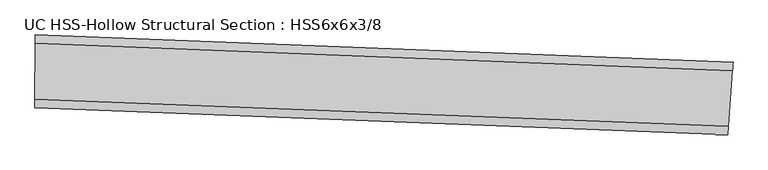
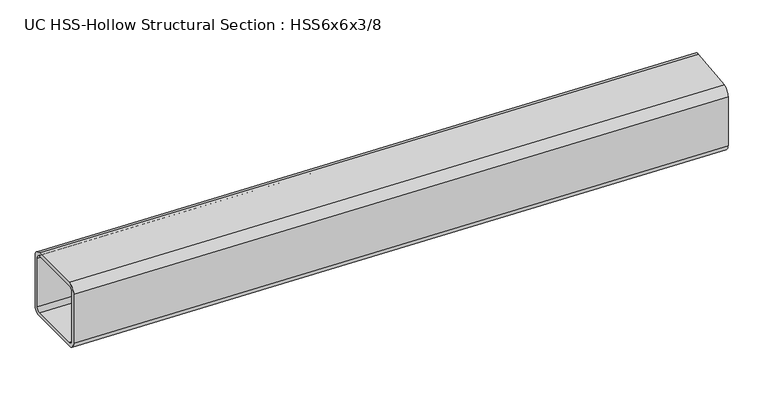
"""IFC4 building model written with IfcOpenShell, lengths in millimetres: beam geometry, UC HSS-Hollow Structural Section : HSS6x6x3/8."""

from ifc_helpers import new_model, si_unit, point, frame, origin, place, context, project, spatial, polyline, circle_curve, ellipse_curve, trimmed, source, transform, mapped, element, save
from ifc_brep_helpers import plane_surface, cylinder_surface, revolved_surface, advanced_brep


def uc_hss_hollow_structural_section_hss6x6x3_8_cf2cbdf1(model_context):
    return source(origin(), model_context, "Body", "AdvancedBrep", [
        advanced_brep(
        [(1536.7859562, 18.5029614, 58.4708), (1535.4565811, 0.8236714, 76.2), (1526.6880381, -115.7887227, 76.2), (1525.3586629, -133.4680127, 58.4708), (1525.3586629, -133.4680127, -58.4708), (1526.6880381, -115.7887227, -76.2), (1535.4565811, 0.8236714, -76.2), (1536.7859562, 18.5029614, -58.4708), (1526.6880381, -115.7887227, 67.3354), (1535.4565811, 0.8236714, 67.3354), (1536.1212687, 9.6633164, 58.4708), (1536.1212687, 9.6633164, -58.4708), (1535.4565811, 0.8236714, -67.3354), (1526.6880381, -115.7887227, -67.3354), (1526.0233505, -124.6283677, -58.4708), (1526.0233505, -124.6283677, 58.4708), (73.5028473, 76.0681972, 58.4708), (73.5028473, 76.0681972, -58.4708), (73.4392647, 58.3391112, -76.2), (73.0198745, -58.6017368, -76.2), (72.9562919, -76.3308228, -58.4708), (72.9562919, -76.3308228, 58.4708), (73.0198745, -58.6017368, 76.2), (73.4392647, 58.3391112, 76.2), (73.0198745, -58.6017368, 67.3354), (72.9880832, -67.4662798, 58.4708), (72.9880832, -67.4662798, -58.4708), (73.0198745, -58.6017368, -67.3354), (73.4392647, 58.3391112, -67.3354), (73.471056, 67.2036542, -58.4708), (73.471056, 67.2036542, 58.4708), (73.4392647, 58.3391112, 67.3354)],
        [
            (0, 1, circle_curve(frame((1535.4565811, 0.8236714, 58.4708), z_axis=(0.9971848694081838, -0.07498223938629388, 0.0), x_axis=(-0.07498223938629388, -0.9971848694081838, 0.0)), 17.7292)),
            (1, 2),
            (2, 3, circle_curve(frame((1526.6880381, -115.7887227, 58.4708), z_axis=(0.9971848694081838, -0.07498223938629388, 0.0), x_axis=(-0.07498223938629388, -0.9971848694081838, 0.0)), 17.7292)),
            (3, 4),
            (4, 5, circle_curve(frame((1526.6880381, -115.7887227, -58.4708), z_axis=(0.9971848694081838, -0.07498223938629388, 0.0), x_axis=(-0.07498223938629388, -0.9971848694081838, 0.0)), 17.7292)),
            (5, 6),
            (6, 7, circle_curve(frame((1535.4565811, 0.8236714, -58.4708), z_axis=(0.9971848694081838, -0.07498223938629388, 0.0), x_axis=(-0.07498223938629388, -0.9971848694081838, 0.0)), 17.7292)),
            (7, 0),
            (8, 9),
            (9, 10, circle_curve(frame((1535.4565811, 0.8236714, 58.4708), z_axis=(-0.9971848694081838, 0.07498223938629388, 0.0), x_axis=(-0.07498223938629388, -0.9971848694081838, 0.0)), 8.8646)),
            (10, 11),
            (11, 12, circle_curve(frame((1535.4565811, 0.8236714, -58.4708), z_axis=(-0.9971848694081838, 0.07498223938629388, 0.0), x_axis=(-0.07498223938629388, -0.9971848694081838, 0.0)), 8.8646)),
            (12, 13),
            (13, 14, circle_curve(frame((1526.6880381, -115.7887227, -58.4708), z_axis=(-0.9971848694081838, 0.07498223938629388, 0.0), x_axis=(-0.07498223938629388, -0.9971848694081838, 0.0)), 8.8646)),
            (14, 15),
            (15, 8, circle_curve(frame((1526.6880381, -115.7887227, 58.4708), z_axis=(-0.9971848694081838, 0.07498223938629388, 0.0), x_axis=(-0.07498223938629388, -0.9971848694081838, 0.0)), 8.8646)),
            (16, 17),
            (17, 18, circle_curve(frame((73.4392647, 58.3391112, -58.4708), z_axis=(-0.9999935691293671, 0.003586321222339983, 0.0), x_axis=(-0.003586321222339983, -0.9999935691293671, 0.0)), 17.7292)),
            (18, 19),
            (19, 20, circle_curve(frame((73.0198745, -58.6017368, -58.4708), z_axis=(-0.9999935691293671, 0.003586321222339983, 0.0), x_axis=(-0.003586321222339983, -0.9999935691293671, 0.0)), 17.7292)),
            (20, 21),
            (21, 22, circle_curve(frame((73.0198745, -58.6017368, 58.4708), z_axis=(-0.9999935691293671, 0.003586321222339983, 0.0), x_axis=(-0.003586321222339983, -0.9999935691293671, 0.0)), 17.7292)),
            (22, 23),
            (23, 16, circle_curve(frame((73.4392647, 58.3391112, 58.4708), z_axis=(-0.9999935691293671, 0.003586321222339983, 0.0), x_axis=(-0.003586321222339983, -0.9999935691293671, 0.0)), 17.7292)),
            (24, 25, circle_curve(frame((73.0198745, -58.6017368, 58.4708), z_axis=(0.9999935691293671, -0.003586321222339983, 0.0), x_axis=(-0.003586321222339983, -0.9999935691293671, 0.0)), 8.8646)),
            (25, 26),
            (26, 27, circle_curve(frame((73.0198745, -58.6017368, -58.4708), z_axis=(0.9999935691293671, -0.003586321222339983, 0.0), x_axis=(-0.003586321222339983, -0.9999935691293671, 0.0)), 8.8646)),
            (27, 28),
            (28, 29, circle_curve(frame((73.4392647, 58.3391112, -58.4708), z_axis=(0.9999935691293671, -0.003586321222339983, 0.0), x_axis=(-0.003586321222339983, -0.9999935691293671, 0.0)), 8.8646)),
            (29, 30),
            (30, 31, circle_curve(frame((73.4392647, 58.3391112, 58.4708), z_axis=(0.9999935691293671, -0.003586321222339983, 0.0), x_axis=(-0.003586321222339983, -0.9999935691293671, 0.0)), 8.8646)),
            (31, 24),
            (0, 16, circle_curve(frame((0.0, -20419.1328788, 58.4708), z_axis=(0.0, 0.0, 1.0), x_axis=(-0.09625855551847158, -0.9953563635650788, 0.0)), 20495.3328788)),
            (23, 1, circle_curve(frame((0.0, -20419.1328788, 76.2), z_axis=(0.0, 0.0, -1.0), x_axis=(-0.09625855551847158, -0.9953563635650788, 0.0)), 20477.6036788)),
            (22, 2, circle_curve(frame((0.0, -20419.1328788, 76.2), z_axis=(0.0, 0.0, -1.0), x_axis=(-0.09625855551847158, -0.9953563635650788, 0.0)), 20360.6620788)),
            (21, 3, circle_curve(frame((0.0, -20419.1328788, 58.4708), z_axis=(0.0, 0.0, -1.0), x_axis=(-0.09625855551847158, -0.9953563635650788, 0.0)), 20342.9328788)),
            (20, 4, circle_curve(frame((0.0, -20419.1328788, -58.4708), z_axis=(0.0, 0.0, -1.0), x_axis=(-0.09625855551847158, -0.9953563635650788, 0.0)), 20342.9328788)),
            (19, 5, circle_curve(frame((0.0, -20419.1328788, -76.2), z_axis=(0.0, 0.0, -1.0), x_axis=(-0.09625855551847158, -0.9953563635650788, 0.0)), 20360.6620788)),
            (18, 6, circle_curve(frame((0.0, -20419.1328788, -76.2), z_axis=(0.0, 0.0, -1.0), x_axis=(-0.09625855551847158, -0.9953563635650788, 0.0)), 20477.6036788)),
            (17, 7, circle_curve(frame((0.0, -20419.1328788, -58.4708), z_axis=(0.0, 0.0, -1.0), x_axis=(-0.09625855551847158, -0.9953563635650788, 0.0)), 20495.3328788)),
            (8, 24, circle_curve(frame((0.0, -20419.1328788, 67.3354), z_axis=(0.0, 0.0, 1.0), x_axis=(-0.09625855551847158, -0.9953563635650788, 0.0)), 20360.6620788)),
            (31, 9, circle_curve(frame((0.0, -20419.1328788, 67.3354), z_axis=(0.0, 0.0, -1.0), x_axis=(-0.09625855551847158, -0.9953563635650788, 0.0)), 20477.6036788)),
            (30, 10, circle_curve(frame((0.0, -20419.1328788, 58.4708), z_axis=(0.0, 0.0, -1.0), x_axis=(-0.09625855551847158, -0.9953563635650788, 0.0)), 20486.4682788)),
            (29, 11, circle_curve(frame((0.0, -20419.1328788, -58.4708), z_axis=(0.0, 0.0, -1.0), x_axis=(-0.09625855551847158, -0.9953563635650788, 0.0)), 20486.4682788)),
            (28, 12, circle_curve(frame((0.0, -20419.1328788, -67.3354), z_axis=(0.0, 0.0, -1.0), x_axis=(-0.09625855551847158, -0.9953563635650788, 0.0)), 20477.6036788)),
            (27, 13, circle_curve(frame((0.0, -20419.1328788, -67.3354), z_axis=(0.0, 0.0, -1.0), x_axis=(-0.09625855551847158, -0.9953563635650788, 0.0)), 20360.6620788)),
            (26, 14, circle_curve(frame((0.0, -20419.1328788, -58.4708), z_axis=(0.0, 0.0, -1.0), x_axis=(-0.09625855551847158, -0.9953563635650788, 0.0)), 20351.7974788)),
            (25, 15, circle_curve(frame((0.0, -20419.1328788, 58.4708), z_axis=(0.0, 0.0, -1.0), x_axis=(-0.09625855551847158, -0.9953563635650788, 0.0)), 20351.7974788)),
        ],
        [
            plane_surface(frame((1531.0723096, -57.4825256, 0.0), z_axis=(0.9971848694081833, -0.0749822393863003, 0.0), x_axis=(0.0, 0.0, 1.0))),
            plane_surface(frame((73.2295696, -0.1313128, 0.0), z_axis=(-0.9999935691293671, 0.0035863212223464086, 0.0), x_axis=(0.0, 0.0, 1.0))),
            revolved_surface(trimmed(ellipse_curve(frame((-1971.1445506, -40801.6460111, 58.4708), z_axis=(0.9953563635650794, -0.0962585555184656, 0.0), x_axis=(0.0962585555184656, 0.9953563635650794, 0.0)), 17.7292, 17.7292), [point((-1971.1445506, -40801.6460111, 76.2))], [point((-1972.8511378, -40819.2928831, 58.4708))], True, "CARTESIAN"), (0.0, -20419.1328788, 0.0), (0.0, 0.0, -1.0000000000000002)),
            plane_surface(frame((0.0, -20419.1328788, 76.2), z_axis=(0.0, 0.0, 1.0000000000000002), x_axis=(-0.09625855551847158, -0.9953563635650788, 0.0))),
            revolved_surface(trimmed(ellipse_curve(frame((-1959.8879211, -40685.2474453, 58.4708), z_axis=(0.9953563635650794, -0.0962585555184656, 0.0), x_axis=(0.0962585555184656, 0.9953563635650794, 0.0)), 17.7292, 17.7292), [point((-1958.1813339, -40667.6005733, 58.4708))], [point((-1959.8879211, -40685.2474453, 76.2))], True, "CARTESIAN"), (0.0, -20419.1328788, 0.0), (0.0, 0.0, -1.0000000000000002)),
            revolved_surface(polyline([(-1958.1813339225105, -40667.600573290845, -58.470800000000025), (-1958.1813339225105, -40667.600573290845, 58.470800000000025)]), (0.0, -20419.1328788, 0.0), (0.0, 0.0, -1.0000000000000002)),
            revolved_surface(trimmed(ellipse_curve(frame((-1959.8879211, -40685.2474453, -58.4708), z_axis=(0.9953563635650794, -0.0962585555184656, 0.0), x_axis=(0.0962585555184656, 0.9953563635650794, 0.0)), 17.7292, 17.7292), [point((-1959.8879211, -40685.2474453, -76.2))], [point((-1958.1813339, -40667.6005733, -58.4708))], True, "CARTESIAN"), (0.0, -20419.1328788, 0.0), (0.0, 0.0, -1.0000000000000002)),
            plane_surface(frame((0.0, -20419.1328788, -76.2), z_axis=(0.0, 0.0, -1.0000000000000002), x_axis=(-0.09625855551847158, -0.9953563635650788, 0.0))),
            revolved_surface(trimmed(ellipse_curve(frame((-1971.1445506, -40801.6460111, -58.4708), z_axis=(0.9953563635650794, -0.0962585555184656, 0.0), x_axis=(0.0962585555184656, 0.9953563635650794, 0.0)), 17.7292, 17.7292), [point((-1972.8511378, -40819.2928831, -58.4708))], [point((-1971.1445506, -40801.6460111, -76.2))], True, "CARTESIAN"), (0.0, -20419.1328788, 0.0), (0.0, 0.0, -1.0000000000000002)),
            cylinder_surface(frame((0.0, -20419.1328788, 0.0), z_axis=(0.0, 0.0, -1.0000000000000002), x_axis=(-0.09625855551847158, -0.9953563635650788, 0.0)), 20495.3328788),
            plane_surface(frame((0.0, -20419.1328788, 67.3354), z_axis=(0.0, 0.0, -1.0000000000000002), x_axis=(-0.09625855551847158, -0.9953563635650788, 0.0))),
            revolved_surface(trimmed(ellipse_curve(frame((-1971.1445506, -40801.6460111, 58.4708), z_axis=(-0.9953563635650794, 0.0962585555184656, 0.0), x_axis=(0.0962585555184656, 0.9953563635650794, 0.0)), 8.8646, 8.8646), [point((-1971.9978442, -40810.4694471, 58.4708))], [point((-1971.1445506, -40801.6460111, 67.3354))], True, "CARTESIAN"), (0.0, -20419.1328788, 0.0), (0.0, 0.0, -1.0000000000000002)),
            revolved_surface(polyline([(-1971.9978441922767, -40810.4694470777, -58.470800000000025), (-1971.9978441922767, -40810.4694470777, 58.470800000000025)]), (0.0, -20419.1328788, 0.0), (0.0, 0.0, -1.0000000000000002)),
            revolved_surface(trimmed(ellipse_curve(frame((-1971.1445506, -40801.6460111, -58.4708), z_axis=(-0.9953563635650794, 0.0962585555184656, 0.0), x_axis=(0.0962585555184656, 0.9953563635650794, 0.0)), 8.8646, 8.8646), [point((-1971.1445506, -40801.6460111, -67.3354))], [point((-1971.9978442, -40810.4694471, -58.4708))], True, "CARTESIAN"), (0.0, -20419.1328788, 0.0), (0.0, 0.0, -1.0000000000000002)),
            plane_surface(frame((0.0, -20419.1328788, -67.3354), z_axis=(0.0, 0.0, 1.0000000000000002), x_axis=(-0.09625855551847158, -0.9953563635650788, 0.0))),
            revolved_surface(trimmed(ellipse_curve(frame((-1959.8879211, -40685.2474453, -58.4708), z_axis=(-0.9953563635650794, 0.0962585555184656, 0.0), x_axis=(0.0962585555184656, 0.9953563635650794, 0.0)), 8.8646, 8.8646), [point((-1959.0346275, -40676.4240093, -58.4708))], [point((-1959.8879211, -40685.2474453, -67.3354))], True, "CARTESIAN"), (0.0, -20419.1328788, 0.0), (0.0, 0.0, -1.0000000000000002)),
            cylinder_surface(frame((0.0, -20419.1328788, 0.0), z_axis=(0.0, 0.0, -1.0000000000000002), x_axis=(-0.09625855551847158, -0.9953563635650788, 0.0)), 20351.7974788),
            revolved_surface(trimmed(ellipse_curve(frame((-1959.8879211, -40685.2474453, 58.4708), z_axis=(-0.9953563635650794, 0.0962585555184656, 0.0), x_axis=(0.0962585555184656, 0.9953563635650794, 0.0)), 8.8646, 8.8646), [point((-1959.8879211, -40685.2474453, 67.3354))], [point((-1959.0346275, -40676.4240093, 58.4708))], True, "CARTESIAN"), (0.0, -20419.1328788, 0.0), (0.0, 0.0, -1.0000000000000002)),
        ],
        [
            (0, [[1, 2, 3, 4, 5, 6, 7, 8], [9, 10, 11, 12, 13, 14, 15, 16]]),
            (1, [[17, 18, 19, 20, 21, 22, 23, 24], [25, 26, 27, 28, 29, 30, 31, 32]]),
            (2, [[-1, 33, -24, 34]]),
            (3, [[-2, -34, -23, 35]]),
            (4, [[-3, -35, -22, 36]]),
            (5, [[-4, -36, -21, 37]]),
            (6, [[-5, -37, -20, 38]]),
            (7, [[-6, -38, -19, 39]]),
            (8, [[-7, -39, -18, 40]]),
            (9, [[-8, -40, -17, -33]]),
            (10, [[-9, 41, -32, 42]]),
            (11, [[-10, -42, -31, 43]]),
            (12, [[-11, -43, -30, 44]]),
            (13, [[-12, -44, -29, 45]]),
            (14, [[-13, -45, -28, 46]]),
            (15, [[-14, -46, -27, 47]]),
            (16, [[-15, -47, -26, 48]]),
            (17, [[-16, -48, -25, -41]]),
        ],
    ),
    ])


if __name__ == "__main__":
    model = new_model("IFC4")
    model_context = context("Model", 3, world=origin())
    ifc_project = project(units=[si_unit("LENGTHUNIT", "METRE", prefix="MILLI")], contexts=[model_context])
    site = spatial("IfcSite", under=ifc_project)
    building = spatial("IfcBuilding", under=site)
    placement = place(None, origin())
    uc_hss_hollow_structural_section_hss6x6x3_8_shape = uc_hss_hollow_structural_section_hss6x6x3_8_cf2cbdf1(model_context)
    element("IfcBeam", 1, ObjectType="UC HSS-Hollow Structural Section : HSS6x6x3/8", at=placement, inside=building, context=model_context, shape_type="MappedRepresentation", body=[
        mapped(uc_hss_hollow_structural_section_hss6x6x3_8_shape, transform((0.0, 0.0, 0.0), x_axis=(1.0, 0.0, 0.0), y_axis=(0.0, 1.0, 0.0), z_axis=(0.0, 0.0, 1.0))),
    ])
    save(model, "model.ifc")
